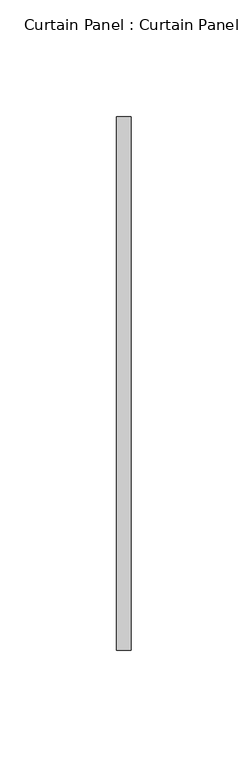
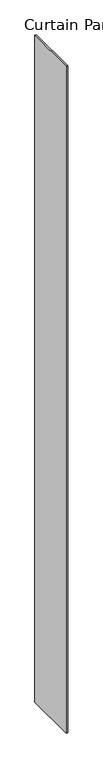
"""IFC4 building model written with IfcOpenShell, lengths in millimetres: plate geometry, Curtain Panel : Curtain Panel."""

from ifc_helpers import new_model, si_unit, origin, origin_with_axes, place, context, project, spatial, polyline, outline, extrude, source, transform, mapped, element, save


def curtain_panel_curtain_panel_2d174aaa(model_context):
    return source(origin(), model_context, "Body", "SweptSolid", [
        extrude(outline(polyline([(802.5178178, 92555.2732822), (802.5178178, 92783.8732822), (808.8678178, 92783.8732822), (808.8678178, 92555.2732822), (802.5178178, 92555.2732822)])), origin_with_axes(), (0.0, 0.0, 1.0), 2978.15),
    ])


if __name__ == "__main__":
    model = new_model("IFC4")
    model_context = context("Model", 3, world=origin())
    ifc_project = project(units=[si_unit("LENGTHUNIT", "METRE", prefix="MILLI")], contexts=[model_context])
    site = spatial("IfcSite", under=ifc_project)
    building = spatial("IfcBuilding", under=site)
    placement = place(None, origin())
    curtain_panel_curtain_panel_shape = curtain_panel_curtain_panel_2d174aaa(model_context)
    element("IfcPlate", 1, ObjectType="Curtain Panel : Curtain Panel", at=placement, inside=building, context=model_context, shape_type="MappedRepresentation", body=[
        mapped(curtain_panel_curtain_panel_shape, transform((0.0, 0.0, 0.0), x_axis=(1.0, 0.0, 0.0), y_axis=(0.0, 1.0, 0.0), z_axis=(0.0, 0.0, 1.0))),
    ])
    save(model, "model.ifc")
